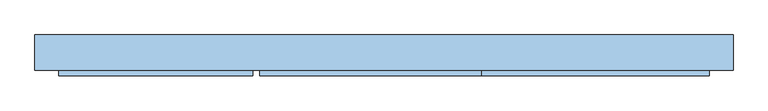
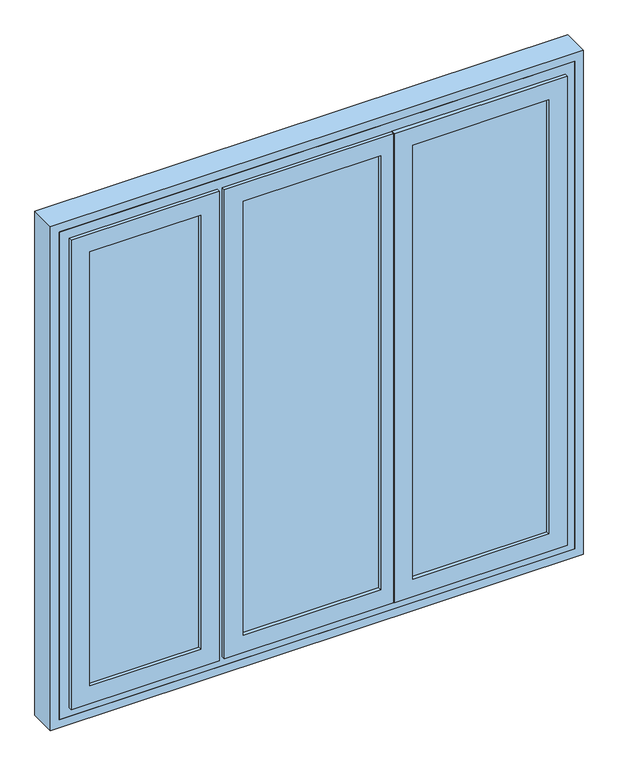
"""IFC4 building model written with IfcOpenShell, lengths in millimetres: window geometry."""

from ifc_helpers import new_model, si_unit, frame, origin, place, context, project, spatial, polyline, outline, extrude, faceted_brep, source, transform, mapped, element, save


def window_d820c5a0(model_context):
    return source(origin(), model_context, "Body", "SolidModel", [
        extrude(outline(polyline([(-394.0, -48.0), (-394.0, -51.0), (-821.0, -51.0), (-821.0, -48.0), (-394.0, -48.0)])), frame((0.0, 0.0, 909.0), z_axis=(0.0, 0.0, 1.0), x_axis=(1.0, 0.0, 0.0)), (0.0, 0.0, 1.0), 1642.0),
        faceted_brep([(-801.0, -22.0, 2531.0), (-801.0, -48.0, 2531.0), (-801.0, -48.0, 929.0), (-801.0, -22.0, 929.0), (-821.0, -48.0, 909.0), (-394.0, -48.0, 909.0), (-394.0, -48.0, 2551.0), (-821.0, -48.0, 2551.0), (-414.0, -48.0, 2531.0), (-414.0, -48.0, 929.0), (-414.0, -22.0, 929.0), (-856.0, -22.0, 2586.0), (-359.0, -22.0, 2586.0), (-359.0, -22.0, 874.0), (-856.0, -22.0, 874.0), (-414.0, -22.0, 2531.0), (-856.0, -51.0, 2586.0), (-856.0, -51.0, 874.0), (-359.0, -51.0, 874.0), (-866.0, -51.0, 2596.0), (-349.0, -51.0, 2596.0), (-349.0, -51.0, 864.0), (-866.0, -51.0, 864.0), (-359.0, -51.0, 2586.0), (-866.0, -64.0, 2596.0), (-866.0, -64.0, 864.0), (-349.0, -64.0, 864.0), (-349.0, -64.0, 2596.0), (-801.0, -64.0, 2531.0), (-414.0, -64.0, 2531.0), (-414.0, -64.0, 929.0), (-801.0, -64.0, 929.0), (-801.0, -51.0, 2531.0), (-801.0, -51.0, 929.0), (-414.0, -51.0, 929.0), (-821.0, -51.0, 2551.0), (-394.0, -51.0, 2551.0), (-394.0, -51.0, 909.0), (-821.0, -51.0, 909.0), (-414.0, -51.0, 2531.0)], [[[0, 1, 2, 3]], [[4, 5, 6, 7], [1, 8, 9, 2]], [[3, 2, 9, 10]], [[11, 12, 13, 14], [3, 10, 15, 0]], [[16, 11, 14, 17]], [[17, 14, 13, 18]], [[19, 20, 21, 22], [17, 18, 23, 16]], [[24, 19, 22, 25]], [[25, 22, 21, 26]], [[25, 26, 27, 24], [28, 29, 30, 31]], [[32, 28, 31, 33]], [[33, 31, 30, 34]], [[35, 36, 37, 38], [33, 34, 39, 32]], [[7, 35, 38, 4]], [[4, 38, 37, 5]], [[10, 9, 8, 15]], [[18, 13, 12, 23]], [[26, 21, 20, 27]], [[34, 30, 29, 39]], [[5, 37, 36, 6]], [[15, 8, 1, 0]], [[23, 12, 11, 16]], [[27, 20, 19, 24]], [[39, 29, 28, 32]], [[6, 36, 35, 7]]]),
        faceted_brep([(-414.0, 9.0, 929.0), (-414.0, 22.0, 929.0), (-801.0, 22.0, 929.0), (-801.0, 9.0, 929.0), (-414.0, 9.0, 2531.0), (-414.0, 22.0, 2531.0), (-394.0, 9.0, 909.0), (-394.0, 9.0, 2551.0), (-821.0, 9.0, 2551.0), (-821.0, 9.0, 909.0), (-801.0, 9.0, 2531.0), (-846.0, 22.0, 2576.0), (-359.0, 22.0, 2576.0), (-359.0, 22.0, 884.0), (-846.0, 22.0, 884.0), (-801.0, 22.0, 2531.0), (-359.0, -7.0, 874.0), (-359.0, -20.0, 874.0), (-856.0, -20.0, 874.0), (-856.0, -7.0, 874.0), (-359.0, -7.0, 884.0), (-359.0, -7.0, 2576.0), (-359.0, -7.0, 2586.0), (-359.0, -20.0, 2586.0), (-846.0, -7.0, 2576.0), (-846.0, -7.0, 884.0), (-856.0, -7.0, 2586.0), (-856.0, -20.0, 2586.0), (-414.0, -20.0, 2531.0), (-414.0, -20.0, 929.0), (-801.0, -20.0, 929.0), (-801.0, -20.0, 2531.0), (-414.0, 6.0, 929.0), (-801.0, 6.0, 929.0), (-414.0, 6.0, 2531.0), (-394.0, 6.0, 2551.0), (-394.0, 6.0, 909.0), (-821.0, 6.0, 909.0), (-821.0, 6.0, 2551.0), (-801.0, 6.0, 2531.0)], [[[0, 1, 2, 3]], [[1, 0, 4, 5]], [[6, 7, 8, 9], [4, 0, 3, 10]], [[11, 12, 13, 14], [1, 5, 15, 2]], [[16, 17, 18, 19]], [[17, 16, 20, 13, 12, 21, 22, 23]], [[21, 24, 25, 20, 16, 19, 26, 22]], [[25, 14, 13, 20]], [[17, 23, 27, 18], [28, 29, 30, 31]], [[29, 32, 33, 30]], [[32, 29, 28, 34]], [[35, 36, 37, 38], [32, 34, 39, 33]], [[36, 6, 9, 37]], [[6, 36, 35, 7]], [[15, 10, 3, 2]], [[24, 11, 14, 25]], [[27, 26, 19, 18]], [[39, 31, 30, 33]], [[8, 38, 37, 9]], [[5, 4, 10, 15]], [[11, 24, 21, 12]], [[23, 22, 26, 27]], [[34, 28, 31, 39]], [[7, 35, 38, 8]]]),
        extrude(outline(polyline([(-394.0, 9.0), (-394.0, 6.0), (-821.0, 6.0), (-821.0, 9.0), (-394.0, 9.0)])), frame((0.0, 0.0, 909.0), z_axis=(0.0, 0.0, 1.0), x_axis=(1.0, 0.0, 0.0)), (0.0, 0.0, 1.0), 1642.0),
        faceted_brep([(-266.0, -22.0, 2531.0), (-266.0, -48.0, 2531.0), (-266.0, -48.0, 929.0), (-266.0, -22.0, 929.0), (-286.0, -48.0, 2551.0), (-286.0, -48.0, 909.0), (234.0, -48.0, 909.0), (234.0, -48.0, 2551.0), (214.0, -48.0, 2531.0), (214.0, -48.0, 929.0), (214.0, -22.0, 929.0), (-321.0, -22.0, 874.0), (-321.0, -22.0, 2586.0), (269.0, -22.0, 2586.0), (269.0, -22.0, 874.0), (214.0, -22.0, 2531.0), (-321.0, -51.0, 2586.0), (-321.0, -51.0, 874.0), (269.0, -49.0, 874.0), (259.0, -49.0, 874.0), (259.0, -51.0, 874.0), (259.0, -51.0, 864.0), (-331.0, -51.0, 864.0), (-331.0, -51.0, 2596.0), (259.0, -51.0, 2596.0), (259.0, -51.0, 2586.0), (-331.0, -64.0, 2596.0), (-331.0, -64.0, 864.0), (259.0, -64.0, 864.0), (259.0, -64.0, 2596.0), (-266.0, -64.0, 929.0), (-266.0, -64.0, 2531.0), (214.0, -64.0, 2531.0), (214.0, -64.0, 929.0), (-266.0, -51.0, 2531.0), (-266.0, -51.0, 929.0), (214.0, -51.0, 929.0), (-286.0, -51.0, 909.0), (-286.0, -51.0, 2551.0), (234.0, -51.0, 2551.0), (234.0, -51.0, 909.0), (214.0, -51.0, 2531.0), (269.0, -49.0, 2586.0), (259.0, -49.0, 2586.0)], [[[0, 1, 2, 3]], [[4, 5, 6, 7], [2, 1, 8, 9]], [[3, 2, 9, 10]], [[11, 12, 13, 14], [0, 3, 10, 15]], [[16, 12, 11, 17]], [[17, 11, 14, 18, 19, 20]], [[16, 17, 20, 21, 22, 23, 24, 25]], [[26, 23, 22, 27]], [[27, 22, 21, 28]], [[26, 27, 28, 29], [30, 31, 32, 33]], [[34, 31, 30, 35]], [[35, 30, 33, 36]], [[37, 38, 39, 40], [34, 35, 36, 41]], [[4, 38, 37, 5]], [[5, 37, 40, 6]], [[10, 9, 8, 15]], [[14, 13, 42, 18]], [[43, 19, 18, 42]], [[19, 43, 25, 24, 29, 28, 21, 20]], [[36, 33, 32, 41]], [[6, 40, 39, 7]], [[1, 0, 15, 8]], [[12, 16, 25, 43, 42, 13]], [[23, 26, 29, 24]], [[31, 34, 41, 32]], [[38, 4, 7, 39]]]),
        faceted_brep([(279.0, 22.0, 884.0), (279.0, -5.0, 884.0), (269.0, -5.0, 884.0), (269.0, -7.0, 884.0), (-321.0, -7.0, 884.0), (-321.0, 22.0, 884.0), (279.0, 22.0, 2576.0), (279.0, -5.0, 2576.0), (269.0, -5.0, 2576.0), (269.0, -7.0, 2576.0), (269.0, -7.0, 2586.0), (269.0, -20.0, 2586.0), (269.0, -20.0, 874.0), (269.0, -7.0, 874.0), (-321.0, -7.0, 874.0), (-321.0, -7.0, 2586.0), (-321.0, -7.0, 2576.0), (-321.0, -20.0, 2586.0), (-321.0, 22.0, 2576.0), (-321.0, -20.0, 874.0), (-266.0, 22.0, 2531.0), (-266.0, 22.0, 929.0), (214.0, 22.0, 929.0), (214.0, 22.0, 2531.0), (-266.0, 9.0, 2531.0), (-266.0, 9.0, 929.0), (214.0, 9.0, 929.0), (214.0, 9.0, 2531.0), (-266.0, -20.0, 929.0), (-266.0, -20.0, 2531.0), (214.0, -20.0, 2531.0), (214.0, -20.0, 929.0), (-286.0, 9.0, 2551.0), (-286.0, 9.0, 909.0), (234.0, 9.0, 909.0), (234.0, 9.0, 2551.0), (-266.0, 6.0, 2531.0), (-266.0, 6.0, 929.0), (214.0, 6.0, 929.0), (-286.0, 6.0, 909.0), (-286.0, 6.0, 2551.0), (234.0, 6.0, 2551.0), (234.0, 6.0, 909.0), (214.0, 6.0, 2531.0)], [[[0, 1, 2, 3, 4, 5]], [[6, 7, 1, 0]], [[7, 8, 2, 1]], [[8, 9, 10, 11, 12, 13, 3, 2]], [[13, 14, 4, 3]], [[15, 10, 9, 16]], [[17, 15, 16, 18, 5, 4, 14, 19]], [[18, 6, 0, 5], [20, 21, 22, 23]], [[20, 24, 25, 21]], [[21, 25, 26, 22]], [[22, 26, 27, 23]], [[17, 19, 12, 11], [28, 29, 30, 31]], [[19, 14, 13, 12]], [[32, 33, 34, 35], [25, 24, 27, 26]], [[36, 29, 28, 37]], [[37, 28, 31, 38]], [[39, 40, 41, 42], [36, 37, 38, 43]], [[32, 40, 39, 33]], [[33, 39, 42, 34]], [[38, 31, 30, 43]], [[34, 42, 41, 35]], [[9, 8, 7, 6, 18, 16]], [[24, 20, 23, 27]], [[15, 17, 11, 10]], [[29, 36, 43, 30]], [[40, 32, 35, 41]]]),
        extrude(outline(polyline([(821.0, -48.0), (821.0, -51.0), (306.0, -51.0), (306.0, -48.0), (821.0, -48.0)])), frame((0.0, 0.0, 909.0), z_axis=(0.0, 0.0, 1.0), x_axis=(1.0, 0.0, 0.0)), (0.0, 0.0, 1.0), 1642.0),
        extrude(outline(polyline([(234.0, -48.0), (234.0, -51.0), (-286.0, -51.0), (-286.0, -48.0), (234.0, -48.0)])), frame((0.0, 0.0, 909.0), z_axis=(0.0, 0.0, 1.0), x_axis=(1.0, 0.0, 0.0)), (0.0, 0.0, 1.0), 1642.0),
        extrude(outline(polyline([(821.0, 9.0), (821.0, 6.0), (306.0, 6.0), (306.0, 9.0), (821.0, 9.0)])), frame((0.0, 0.0, 909.0), z_axis=(0.0, 0.0, 1.0), x_axis=(1.0, 0.0, 0.0)), (0.0, 0.0, 1.0), 1642.0),
        extrude(outline(polyline([(234.0, 9.0), (234.0, 6.0), (-286.0, 6.0), (-286.0, 9.0), (234.0, 9.0)])), frame((0.0, 0.0, 909.0), z_axis=(0.0, 0.0, 1.0), x_axis=(1.0, 0.0, 0.0)), (0.0, 0.0, 1.0), 1642.0),
        faceted_brep([(-900.0, 45.0, 830.0), (900.0, 45.0, 830.0), (900.0, -49.0, 830.0), (-900.0, -49.0, 830.0), (-900.0, 45.0, 2630.0), (900.0, 45.0, 2630.0), (-830.0, 45.0, 873.6286846), (-375.0, 45.0, 873.6286846), (-375.0, 45.0, 2560.0), (-830.0, 45.0, 2560.0), (830.0, 45.0, 873.6286846), (830.0, 45.0, 2560.0), (-305.0, 45.0, 2560.0), (-305.0, 45.0, 873.6286846), (900.0, -49.0, 2630.0), (-900.0, -49.0, 2630.0), (858.0, -49.0, 2588.0), (858.0, -49.0, 872.0), (-323.0, -49.0, 872.0), (-323.0, -49.0, 2588.0), (-858.0, -49.0, 2588.0), (-357.0, -49.0, 2588.0), (-357.0, -49.0, 872.0), (-858.0, -49.0, 872.0), (848.0, 22.0, 882.0), (848.0, 25.0, 880.9080893), (830.0, 25.0, 880.9080893), (-305.0, 25.0, 880.9080893), (-323.0, 25.0, 880.9080893), (-323.0, 22.0, 882.0), (-830.0, 25.0, 880.9080893), (-848.0, 25.0, 880.9080893), (-848.0, 22.0, 882.0), (-357.0, 22.0, 882.0), (-357.0, 25.0, 880.9080893), (-375.0, 25.0, 880.9080893), (-375.0, 25.0, 2560.0), (-830.0, 25.0, 2560.0), (830.0, 25.0, 2560.0), (-305.0, 25.0, 2560.0), (-357.0, -5.0, 2588.0), (-357.0, -5.0, 2578.0), (-357.0, 25.0, 2578.0), (-357.0, -5.0, 882.0), (-357.0, -5.0, 872.0), (858.0, -5.0, 872.0), (-323.0, -5.0, 872.0), (-858.0, -5.0, 872.0), (-858.0, -5.0, 2588.0), (858.0, -5.0, 2588.0), (-323.0, -5.0, 882.0), (-323.0, 25.0, 2578.0), (-323.0, -5.0, 2578.0), (-323.0, -5.0, 2588.0), (848.0, -5.0, 2578.0), (848.0, -5.0, 882.0), (-848.0, -5.0, 882.0), (-848.0, -5.0, 2578.0), (848.0, 25.0, 2578.0), (-848.0, 25.0, 2578.0)], [[[0, 1, 2, 3]], [[0, 4, 5, 1], [6, 7, 8, 9], [10, 11, 12, 13]], [[2, 1, 5, 14]], [[2, 14, 15, 3], [16, 17, 18, 19], [20, 21, 22, 23]], [[4, 0, 3, 15]], [[24, 25, 26, 10, 13, 27, 28, 29]], [[30, 31, 32, 33, 34, 35, 7, 6]], [[8, 7, 35, 36]], [[9, 37, 30, 6]], [[38, 11, 10, 26]], [[13, 12, 39, 27]], [[22, 21, 40, 41, 42, 34, 33, 43, 44]], [[17, 45, 46, 18]], [[47, 23, 22, 44]], [[48, 20, 23, 47]], [[16, 49, 45, 17]], [[19, 18, 46, 50, 29, 28, 51, 52, 53]], [[54, 55, 50, 46, 45, 49, 53, 52]], [[56, 57, 41, 40, 48, 47, 44, 43]], [[54, 58, 25, 24, 55]], [[55, 24, 29, 50]], [[32, 56, 43, 33]], [[59, 57, 56, 32, 31]], [[25, 58, 51, 28, 27, 39, 38, 26]], [[59, 31, 30, 37, 36, 35, 34, 42]], [[11, 38, 39, 12]], [[37, 9, 8, 36]], [[15, 14, 5, 4]], [[49, 16, 19, 53]], [[20, 48, 40, 21]], [[51, 58, 54, 52]], [[57, 59, 42, 41]]]),
        faceted_brep([(326.0, -22.0, 2531.0), (326.0, -48.0, 2531.0), (326.0, -48.0, 929.0), (326.0, -22.0, 929.0), (306.0, -48.0, 909.0), (821.0, -48.0, 909.0), (821.0, -48.0, 2551.0), (306.0, -48.0, 2551.0), (801.0, -48.0, 2531.0), (801.0, -48.0, 929.0), (801.0, -22.0, 929.0), (271.0, -22.0, 2586.0), (856.0, -22.0, 2586.0), (856.0, -22.0, 874.0), (271.0, -22.0, 874.0), (801.0, -22.0, 2531.0), (271.0, -51.0, 2586.0), (271.0, -51.0, 874.0), (856.0, -51.0, 874.0), (261.0, -51.0, 2596.0), (866.0, -51.0, 2596.0), (866.0, -51.0, 864.0), (261.0, -51.0, 864.0), (856.0, -51.0, 2586.0), (261.0, -64.0, 2596.0), (261.0, -64.0, 864.0), (866.0, -64.0, 864.0), (866.0, -64.0, 2596.0), (326.0, -64.0, 2531.0), (801.0, -64.0, 2531.0), (801.0, -64.0, 929.0), (326.0, -64.0, 929.0), (326.0, -51.0, 2531.0), (326.0, -51.0, 929.0), (801.0, -51.0, 929.0), (306.0, -51.0, 2551.0), (821.0, -51.0, 2551.0), (821.0, -51.0, 909.0), (306.0, -51.0, 909.0), (801.0, -51.0, 2531.0)], [[[0, 1, 2, 3]], [[4, 5, 6, 7], [1, 8, 9, 2]], [[3, 2, 9, 10]], [[11, 12, 13, 14], [3, 10, 15, 0]], [[16, 11, 14, 17]], [[17, 14, 13, 18]], [[19, 20, 21, 22], [17, 18, 23, 16]], [[24, 19, 22, 25]], [[25, 22, 21, 26]], [[25, 26, 27, 24], [28, 29, 30, 31]], [[32, 28, 31, 33]], [[33, 31, 30, 34]], [[35, 36, 37, 38], [33, 34, 39, 32]], [[7, 35, 38, 4]], [[4, 38, 37, 5]], [[10, 9, 8, 15]], [[18, 13, 12, 23]], [[26, 21, 20, 27]], [[34, 30, 29, 39]], [[5, 37, 36, 6]], [[15, 8, 1, 0]], [[23, 12, 11, 16]], [[27, 20, 19, 24]], [[39, 29, 28, 32]], [[6, 36, 35, 7]]]),
        faceted_brep([(326.0, 22.0, 2531.0), (326.0, 9.0, 2531.0), (326.0, 9.0, 929.0), (326.0, 22.0, 929.0), (306.0, 9.0, 909.0), (821.0, 9.0, 909.0), (821.0, 9.0, 2551.0), (306.0, 9.0, 2551.0), (801.0, 9.0, 2531.0), (801.0, 9.0, 929.0), (801.0, 22.0, 929.0), (281.0, 22.0, 2576.0), (846.0, 22.0, 2576.0), (846.0, 22.0, 884.0), (281.0, 22.0, 884.0), (801.0, 22.0, 2531.0), (281.0, -7.0, 2576.0), (281.0, -7.0, 884.0), (846.0, -7.0, 884.0), (271.0, -7.0, 2586.0), (856.0, -7.0, 2586.0), (856.0, -7.0, 874.0), (271.0, -7.0, 874.0), (846.0, -7.0, 2576.0), (271.0, -20.0, 2586.0), (271.0, -20.0, 874.0), (856.0, -20.0, 874.0), (856.0, -20.0, 2586.0), (326.0, -20.0, 2531.0), (801.0, -20.0, 2531.0), (801.0, -20.0, 929.0), (326.0, -20.0, 929.0), (326.0, 6.0, 2531.0), (326.0, 6.0, 929.0), (801.0, 6.0, 929.0), (306.0, 6.0, 2551.0), (821.0, 6.0, 2551.0), (821.0, 6.0, 909.0), (306.0, 6.0, 909.0), (801.0, 6.0, 2531.0)], [[[0, 1, 2, 3]], [[4, 5, 6, 7], [1, 8, 9, 2]], [[3, 2, 9, 10]], [[11, 12, 13, 14], [3, 10, 15, 0]], [[16, 11, 14, 17]], [[17, 14, 13, 18]], [[19, 20, 21, 22], [17, 18, 23, 16]], [[24, 19, 22, 25]], [[25, 22, 21, 26]], [[25, 26, 27, 24], [28, 29, 30, 31]], [[32, 28, 31, 33]], [[33, 31, 30, 34]], [[35, 36, 37, 38], [33, 34, 39, 32]], [[7, 35, 38, 4]], [[4, 38, 37, 5]], [[10, 9, 8, 15]], [[18, 13, 12, 23]], [[26, 21, 20, 27]], [[34, 30, 29, 39]], [[5, 37, 36, 6]], [[15, 8, 1, 0]], [[23, 12, 11, 16]], [[27, 20, 19, 24]], [[39, 29, 28, 32]], [[6, 36, 35, 7]]]),
        extrude(outline(polyline([(800.0, -930.0), (800.0, 930.0), (2660.0, 930.0), (2660.0, -930.0), (800.0, -930.0)]), holes=[polyline([(2630.0, -900.0), (2630.0, 900.0), (830.0, 900.0), (830.0, -900.0), (2630.0, -900.0)])]), frame((0.0, -49.0, 0.0), z_axis=(0.0, 1.0, 0.0), x_axis=(0.0, 0.0, 1.0)), (0.0, 0.0, 1.0), 94.0),
    ])


if __name__ == "__main__":
    model = new_model("IFC4")
    model_context = context("Model", 3, world=origin())
    ifc_project = project(units=[si_unit("LENGTHUNIT", "METRE", prefix="MILLI")], contexts=[model_context])
    site = spatial("IfcSite", under=ifc_project)
    building = spatial("IfcBuilding", under=site)
    placement = place(None, origin())
    window_shape = window_d820c5a0(model_context)
    element("IfcWindow", 1, at=placement, inside=building, context=model_context, shape_type="MappedRepresentation", body=[
        mapped(window_shape, transform((0.0, 0.0, 0.0), x_axis=(1.0, 0.0, 0.0), y_axis=(0.0, 1.0, 0.0), z_axis=(0.0, 0.0, 1.0))),
    ])
    save(model, "model.ifc")
